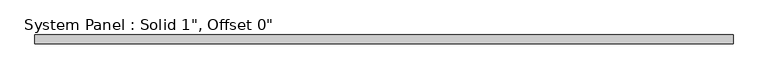
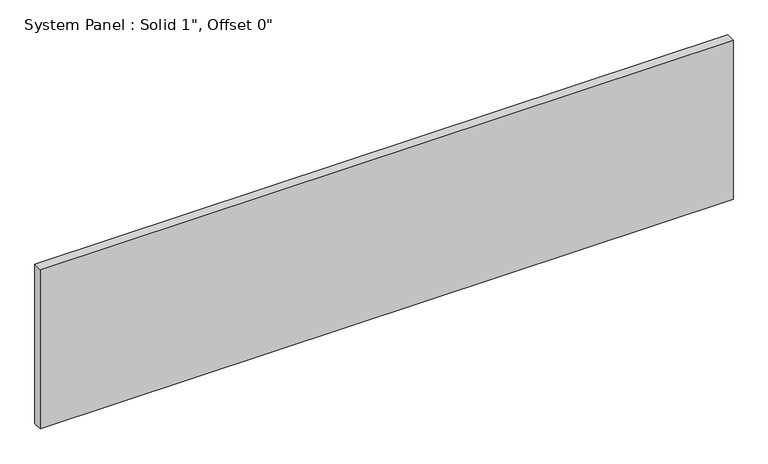
"""IFC4 building model written with IfcOpenShell, lengths in millimetres: plate geometry."""

from ifc_helpers import new_model, si_unit, origin, origin_with_axes, place, context, project, spatial, polyline, outline, extrude, source, transform, mapped, element, save


def plate_7fbe52d4(model_context):
    return source(origin(), model_context, "Body", "SweptSolid", [
        extrude(outline(polyline([(988.5564913, -12.7), (-988.5564913, -12.7), (-988.5564913, 12.7), (988.5564913, 12.7), (988.5564913, -12.7)])), origin_with_axes(), (0.0, 0.0, 1.0), 480.5116487),
    ])


if __name__ == "__main__":
    model = new_model("IFC4")
    model_context = context("Model", 3, world=origin())
    ifc_project = project(units=[si_unit("LENGTHUNIT", "METRE", prefix="MILLI")], contexts=[model_context])
    site = spatial("IfcSite", under=ifc_project)
    building = spatial("IfcBuilding", under=site)
    placement = place(None, origin())
    plate_shape = plate_7fbe52d4(model_context)
    element("IfcPlate", 1, ObjectType="System Panel : Solid 1\", Offset 0\"", at=placement, inside=building, context=model_context, shape_type="MappedRepresentation", body=[
        mapped(plate_shape, transform((0.0, 0.0, 0.0), x_axis=(1.0, 0.0, 0.0), y_axis=(0.0, 1.0, 0.0), z_axis=(0.0, 0.0, 1.0))),
    ])
    save(model, "model.ifc")
